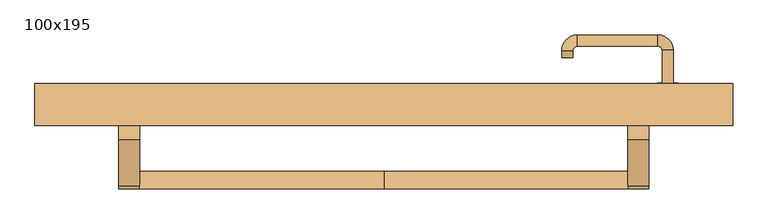
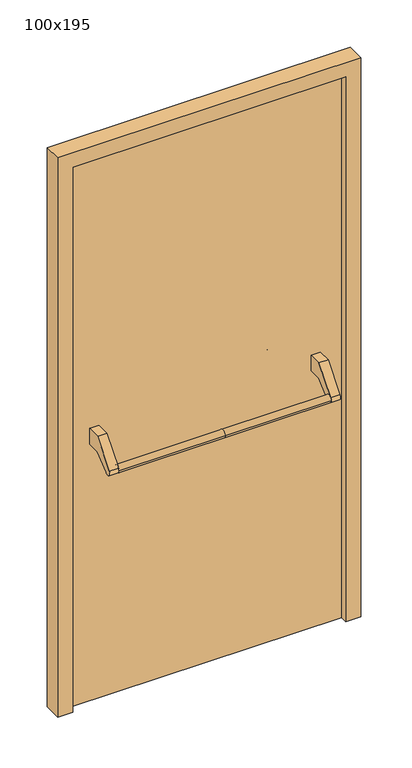
"""IFC4 building model written with IfcOpenShell, lengths in millimetres: door geometry, 100x195."""

from ifc_helpers import new_model, si_unit, point, frame, frame_2d, origin, origin_with_axes, place, context, project, spatial, polyline, circle_curve, ellipse_curve, trimmed, segment, composite_curve, outline, extrude, source, transform, mapped, element, save
from ifc_brep_helpers import plane_surface, cylinder_surface, revolved_surface, advanced_brep


def door_100x195_0318dab8(model_context):
    return source(origin(), model_context, "Body", "SolidModel", [
        advanced_brep(
        [(-350.0, 29.5828565, 861.5304884), (-350.0, 4.5828565, 861.5304884), (0.0, 29.5828565, 861.5304884), (0.0, 4.5828565, 861.5304884), (350.0, 29.5828565, 861.5304884), (350.0, 4.5828565, 861.5304884)],
        [
            (0, 1, circle_curve(frame((-350.0, 17.0828565, 861.5304884), z_axis=(-1.0, 0.0, 0.0), x_axis=(0.0, -1.0, 0.0)), 12.5)),
            (1, 0, circle_curve(frame((-350.0, 17.0828565, 861.5304884), z_axis=(-1.0, 0.0, 0.0), x_axis=(0.0, -1.0, 0.0)), 12.5)),
            (0, 2),
            (2, 3, circle_curve(frame((0.0, 17.0828565, 861.5304884), z_axis=(-1.0, 0.0, 0.0), x_axis=(0.0, -1.0, 0.0)), 12.5)),
            (3, 1),
            (3, 2, circle_curve(frame((0.0, 17.0828565, 861.5304884), z_axis=(-1.0, 0.0, 0.0), x_axis=(0.0, -1.0, 0.0)), 12.5)),
            (4, 5, circle_curve(frame((350.0, 17.0828565, 861.5304884), z_axis=(1.0, 0.0, 0.0), x_axis=(0.0, -1.0, 0.0)), 12.5)),
            (5, 4, circle_curve(frame((350.0, 17.0828565, 861.5304884), z_axis=(1.0, 0.0, 0.0), x_axis=(0.0, -1.0, 0.0)), 12.5)),
            (5, 3),
            (2, 4),
        ],
        [
            plane_surface(frame((-350.0, 4.5828565, 861.5304884), z_axis=(-1.0, 0.0, 0.0), x_axis=(0.0, 0.0, -1.0))),
            cylinder_surface(frame((-350.0, 17.0828565, 861.5304884), z_axis=(1.0, 0.0, 0.0), x_axis=(0.0, -1.0, 0.0)), 12.5),
            plane_surface(frame((350.0, 4.5828565, 861.5304884), z_axis=(1.0, 0.0, 0.0), x_axis=(0.0, 0.0, 1.0))),
            cylinder_surface(frame((0.0, 17.0828565, 861.5304884), z_axis=(1.0, 0.0, 0.0), x_axis=(0.0, -1.0, 0.0)), 12.5),
        ],
        [
            (0, [[1, 2]]),
            (1, [[3, 4, 5, -1]]),
            (1, [[-5, 6, -3, -2]]),
            (2, [[7, 8]]),
            (3, [[9, -4, 10, -8]]),
            (3, [[-10, -6, -9, -7]]),
        ],
    ),
        extrude(outline(composite_curve([segment(polyline([(75.0, 950.0), (120.0, 950.0), (120.0, 895.2768379), (76.4513009, 895.2768379), (26.6584121, 853.4956432)]), True, "CONTINUOUS"), segment(trimmed(circle_curve(frame_2d((17.0828565, 861.5304884)), 12.5), [point((26.6584121, 853.4956432))], [point((7.507301, 869.5653335))], False, "CARTESIAN"), True, "CONTINUOUS"), segment(polyline([(7.507301, 869.5653335), (75.0, 950.0)]), True, "CONTINUOUS")], self_intersect=False)), frame((-380.0, 0.0, 0.0), z_axis=(1.0, 0.0, 0.0), x_axis=(0.0, 1.0, 0.0)), (0.0, 0.0, 1.0), 30.0),
        extrude(outline(composite_curve([segment(polyline([(75.0, 950.0), (120.0, 950.0), (120.0, 895.2768379), (76.4513009, 895.2768379), (26.6584121, 853.4956432)]), True, "CONTINUOUS"), segment(trimmed(circle_curve(frame_2d((17.0828565, 861.5304884)), 12.5), [point((26.6584121, 853.4956432))], [point((7.507301, 869.5653335))], False, "CARTESIAN"), True, "CONTINUOUS"), segment(polyline([(7.507301, 869.5653335), (75.0, 950.0)]), True, "CONTINUOUS")], self_intersect=False)), frame((350.0, 0.0, 0.0), z_axis=(1.0, 0.0, 0.0), x_axis=(0.0, 1.0, 0.0)), (0.0, 0.0, 1.0), 30.0),
        extrude(outline(composite_curve([segment(trimmed(circle_curve(frame_2d((0.0, -15.0)), 15.0), [point((0.0, -30.0))], [point((0.0, 0.0))], False, "CARTESIAN"), True, "CONTINUOUS"), segment(trimmed(circle_curve(frame_2d((0.0, -15.0)), 15.0), [point((0.0, 0.0))], [point((0.0, -30.0))], False, "CARTESIAN"), True, "CONTINUOUS")], self_intersect=False), holes=[composite_curve([segment(trimmed(circle_curve(frame_2d((4.7772515, -14.9398032)), 2.0), [point((4.7772515, -16.9398032))], [point((4.7772515, -12.9398032))], True, "CARTESIAN"), True, "CONTINUOUS"), segment(polyline([(4.7772515, -12.9398032), (-5.2227485, -12.9398032)]), True, "CONTINUOUS"), segment(trimmed(circle_curve(frame_2d((-5.2227485, -14.9398032)), 2.0), [point((-5.2227485, -12.9398032))], [point((-5.2227485, -16.9398032))], True, "CARTESIAN"), True, "CONTINUOUS"), segment(polyline([(-5.2227485, -16.9398032), (4.7772515, -16.9398032)]), True, "CONTINUOUS")], self_intersect=False)]), frame((392.0, 150.0, 897.3605726), z_axis=(1.8870575173328306e-12, 1.0, 0.0), x_axis=(0.0, 0.0, -1.0)), (0.0, 0.0, 1.0), 6.35),
        extrude(outline(composite_curve([segment(trimmed(circle_curve(frame_2d((0.0, -17.526)), 17.526), [point((0.0, -35.052))], [point((0.0, 0.0))], False, "CARTESIAN"), True, "CONTINUOUS"), segment(trimmed(circle_curve(frame_2d((0.0, -17.526)), 17.526), [point((0.0, 0.0))], [point((0.0, -35.052))], False, "CARTESIAN"), True, "CONTINUOUS")], self_intersect=False)), frame((389.474, 150.0, 950.0), z_axis=(1.8870575173328306e-12, 1.0, 0.0), x_axis=(0.0, 0.0, -1.0)), (0.0, 0.0, 1.0), 3.175),
        advanced_brep(
        [(415.0, 150.0, 950.0), (399.0, 150.0, 950.0), (415.0, 203.0, 950.0), (399.0, 203.0, 950.0), (392.8578644, 209.1421356, 950.0), (392.8578644, 225.1421356, 950.0), (277.8578644, 225.1421356, 950.0), (277.8578644, 209.1421356, 950.0), (271.008622, 202.2928932, 950.0), (255.008622, 202.2928932, 950.0), (255.008622, 192.2928932, 950.0), (271.008622, 192.2928932, 950.0)],
        [
            (0, 1, circle_curve(frame((407.0, 150.0, 950.0), z_axis=(-1.888672253512351e-12, -1.0, 0.0), x_axis=(-1.0, 1.888672253512351e-12, 0.0)), 8.0)),
            (1, 0, circle_curve(frame((407.0, 150.0, 950.0), z_axis=(-1.888672253512351e-12, -1.0, 0.0), x_axis=(-1.0, 1.888672253512351e-12, 0.0)), 8.0)),
            (0, 2),
            (2, 3, circle_curve(frame((407.0, 203.0, 950.0), z_axis=(-1.888672253512351e-12, -1.0, 0.0), x_axis=(-1.0, 1.888672253512351e-12, 0.0)), 8.0)),
            (3, 1),
            (3, 2, circle_curve(frame((407.0, 203.0, 950.0), z_axis=(-1.888672253512351e-12, -1.0, 0.0), x_axis=(-1.0, 1.888672253512351e-12, 0.0)), 8.0)),
            (4, 3, circle_curve(frame((392.8578644, 203.0, 950.0), z_axis=(0.0, 0.0, -1.0), x_axis=(1.0, -1.880717803715015e-12, 0.0)), 6.1421356)),
            (2, 5, circle_curve(frame((392.8578644, 203.0, 950.0), z_axis=(0.0, 0.0, 1.0), x_axis=(1.0, -1.880717803715015e-12, 0.0)), 22.1421356)),
            (5, 4, circle_curve(frame((392.8578644, 217.1421356, 950.0), z_axis=(1.0, -1.913702061528922e-12, 0.0), x_axis=(-1.913702061528922e-12, -1.0, 0.0)), 8.0)),
            (4, 5, circle_curve(frame((392.8578644, 217.1421356, 950.0), z_axis=(1.0, -1.913702061528922e-12, 0.0), x_axis=(-1.913702061528922e-12, -1.0, 0.0)), 8.0)),
            (5, 6),
            (6, 7, circle_curve(frame((277.8578644, 217.1421356, 950.0), z_axis=(1.0, -1.913719828541269e-12, 0.0), x_axis=(-1.913719828541269e-12, -1.0, 0.0)), 8.0)),
            (7, 4),
            (7, 6, circle_curve(frame((277.8578644, 217.1421356, 950.0), z_axis=(1.0, -1.913719828541269e-12, 0.0), x_axis=(-1.913719828541269e-12, -1.0, 0.0)), 8.0)),
            (8, 7, circle_curve(frame((277.8578644, 202.2928932, 950.0), z_axis=(0.0, 0.0, -1.0), x_axis=(1.9120873253494017e-12, 1.0, 0.0)), 6.8492424)),
            (6, 9, circle_curve(frame((277.8578644, 202.2928932, 950.0), z_axis=(0.0, 0.0, 1.0), x_axis=(1.9120873253494017e-12, 1.0, 0.0)), 22.8492424)),
            (9, 8, circle_curve(frame((263.008622, 202.2928932, 950.0), z_axis=(1.890448610351751e-12, 1.0, 0.0), x_axis=(1.0, -1.890448610351751e-12, 0.0)), 8.0)),
            (8, 9, circle_curve(frame((263.008622, 202.2928932, 950.0), z_axis=(1.8888942981172756e-12, 1.0, 0.0), x_axis=(1.0, -1.8888942981172756e-12, 0.0)), 8.0)),
            (10, 11, circle_curve(frame((263.008622, 192.2928932, 950.0), z_axis=(-1.8903642334018795e-12, -1.0, 0.0), x_axis=(1.0, -1.8903642334018795e-12, 0.0)), 8.0)),
            (11, 10, circle_curve(frame((263.008622, 192.2928932, 950.0), z_axis=(-1.8903642334018795e-12, -1.0, 0.0), x_axis=(1.0, -1.8903642334018795e-12, 0.0)), 8.0)),
            (9, 10),
            (11, 8),
        ],
        [
            plane_surface(frame((407.0, 150.0, 0.0), z_axis=(-1.8870575173328306e-12, -1.0, 0.0), x_axis=(0.0, 0.0, 1.0))),
            cylinder_surface(frame((407.0, 150.0, 950.0), z_axis=(-1.888672253512351e-12, -1.0, 0.0), x_axis=(-1.0, 1.888672253512351e-12, 0.0)), 8.0),
            revolved_surface(trimmed(ellipse_curve(frame((407.0, 203.0, 950.0), z_axis=(-1.8823325398945356e-12, -1.0, 0.0), x_axis=(-1.0, 1.8823325398945356e-12, 0.0)), 8.0, 8.0), [point((415.0, 203.0, 950.0))], [point((399.0, 203.0, 950.0))], True, "CARTESIAN"), (392.8578644, 203.0, 0.0), (0.0, 0.0, 1.0)),
            revolved_surface(trimmed(ellipse_curve(frame((407.0, 203.0, 950.0), z_axis=(-1.8823325398945356e-12, -1.0, 0.0), x_axis=(-1.0, 1.8823325398945356e-12, 0.0)), 8.0, 8.0), [point((399.0, 203.0, 950.0))], [point((415.0, 203.0, 950.0))], True, "CARTESIAN"), (392.8578644, 203.0, 0.0), (0.0, 0.0, 1.0)),
            cylinder_surface(frame((392.8578644, 217.1421356, 950.0), z_axis=(1.0, -1.913719828541269e-12, 0.0), x_axis=(-1.913719828541269e-12, -1.0, 0.0)), 8.0),
            revolved_surface(trimmed(ellipse_curve(frame((277.8578644, 217.1421356, 950.0), z_axis=(1.0, -1.913702061528922e-12, 0.0), x_axis=(-1.913702061528922e-12, -1.0, 0.0)), 8.0, 8.0), [point((277.8578644, 225.1421356, 950.0))], [point((277.8578644, 209.1421356, 950.0))], True, "CARTESIAN"), (277.8578644, 202.2928932, 0.0), (0.0, 0.0, 1.0)),
            revolved_surface(trimmed(ellipse_curve(frame((277.8578644, 217.1421356, 950.0), z_axis=(1.0, -1.913702061528922e-12, 0.0), x_axis=(-1.913702061528922e-12, -1.0, 0.0)), 8.0, 8.0), [point((277.8578644, 209.1421356, 950.0))], [point((277.8578644, 225.1421356, 950.0))], True, "CARTESIAN"), (277.8578644, 202.2928932, 0.0), (0.0, 0.0, 1.0)),
            plane_surface(frame((263.008622, 192.2928932, 0.0), z_axis=(-1.8887494972223595e-12, -1.0, 0.0), x_axis=(0.0, 0.0, 1.0))),
            cylinder_surface(frame((263.008622, 202.2928932, 950.0), z_axis=(1.8903642334018795e-12, 1.0, 0.0), x_axis=(1.0, -1.8903642334018795e-12, 0.0)), 8.0),
        ],
        [
            (0, [[1, 2]]),
            (1, [[-1, 3, 4, 5]]),
            (1, [[-2, -5, 6, -3]]),
            (2, [[7, -4, 8, 9]]),
            (3, [[-8, -6, -7, 10]]),
            (4, [[-9, 11, 12, 13]]),
            (4, [[-10, -13, 14, -11]]),
            (5, [[15, -12, 16, 17]]),
            (6, [[-16, -14, -15, 18]]),
            (7, [[19, 20]]),
            (8, [[-17, 21, -20, 22]]),
            (8, [[-18, -22, -19, -21]]),
        ],
    ),
        extrude(outline(polyline([(1900.0, 450.0), (0.0, 450.0), (0.0, 500.0), (1950.0, 500.0), (1950.0, -500.0), (0.0, -500.0), (0.0, -450.0), (1900.0, -450.0), (1900.0, 450.0)])), frame((0.0, 95.0, 0.0), z_axis=(0.0, 1.0, 0.0), x_axis=(0.0, 0.0, 1.0)), (0.0, 0.0, 1.0), 60.0),
        extrude(outline(polyline([(-450.0, 150.0), (450.0, 150.0), (450.0, 120.0), (-450.0, 120.0), (-450.0, 150.0)])), origin_with_axes(), (0.0, 0.0, 1.0), 1900.0),
    ])


if __name__ == "__main__":
    model = new_model("IFC4")
    model_context = context("Model", 3, world=origin())
    ifc_project = project(units=[si_unit("LENGTHUNIT", "METRE", prefix="MILLI")], contexts=[model_context])
    site = spatial("IfcSite", under=ifc_project)
    building = spatial("IfcBuilding", under=site)
    placement = place(None, origin())
    door_100x195_shape = door_100x195_0318dab8(model_context)
    element("IfcDoor", 1, ObjectType="100x195", at=placement, inside=building, context=model_context, shape_type="MappedRepresentation", body=[
        mapped(door_100x195_shape, transform((0.0, 0.0, 0.0), x_axis=(1.0, 0.0, 0.0), y_axis=(0.0, 1.0, 0.0), z_axis=(0.0, 0.0, 1.0))),
    ])
    save(model, "model.ifc")
